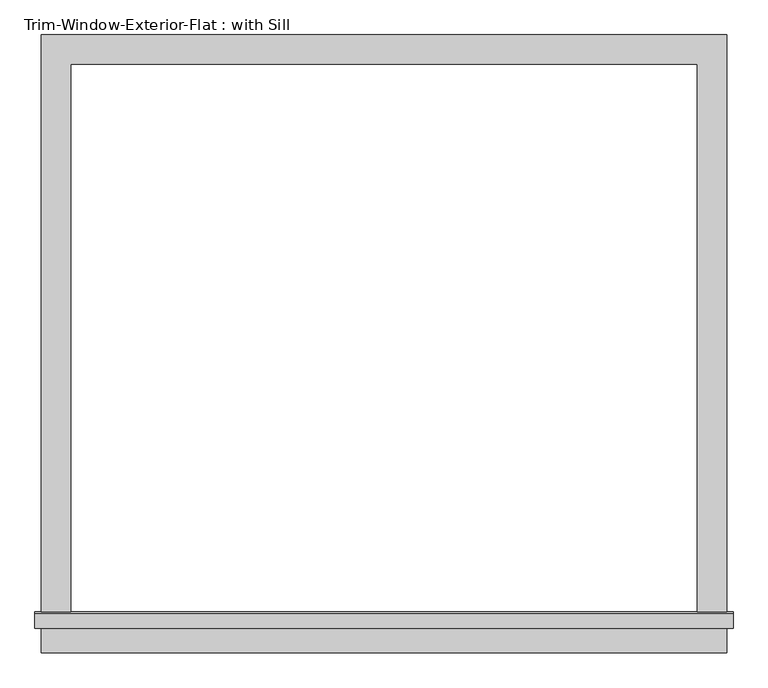
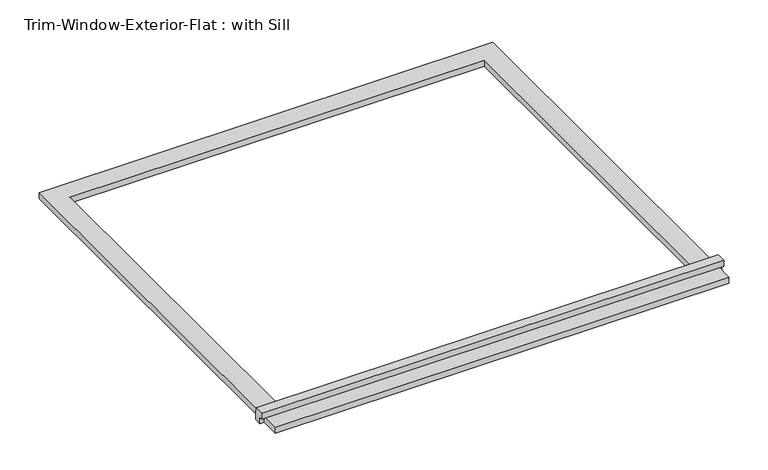
"""IFC4 building model written with IfcOpenShell, lengths in millimetres: proxy geometry, Trim-Window-Exterior-Flat : with Sill."""

from ifc_helpers import new_model, si_unit, frame, origin, origin_with_axes, place, context, project, spatial, polyline, outline, extrude, source, transform, mapped, element, save


def trim_window_exterior_flat_with_sill_f44f30ad(model_context):
    return source(origin(), model_context, "Body", "SweptSolid", [
        extrude(outline(polyline([(666.75, -1088.9823709), (666.75, -1146.1323709), (-666.75, -1146.1323709), (-666.75, -1088.9823709), (666.75, -1088.9823709)])), origin_with_axes(), (0.0, 0.0, 1.0), 19.05),
        extrude(outline(polyline([(-1098.55, 38.1), (-1069.2580645, 38.1), (-1066.8, 19.05), (-1066.8, 0.0), (-1088.9823709, 0.0), (-1088.9823709, 19.05), (-1098.55, 19.05), (-1098.55, 38.1)])), frame((-679.45, 0.0, 0.0), z_axis=(1.0, 0.0, 0.0), x_axis=(0.0, 1.0, 0.0)), (0.0, 0.0, 1.0), 1358.9),
        extrude(outline(polyline([(-666.75, 57.15), (666.75, 57.15), (666.75, -1066.8), (609.6, -1066.8), (609.6, 0.0), (-609.6, 0.0), (-609.6, -1066.8), (-666.75, -1066.8), (-666.75, 57.15)])), origin_with_axes(), (0.0, 0.0, 1.0), 19.05),
    ])


if __name__ == "__main__":
    model = new_model("IFC4")
    model_context = context("Model", 3, world=origin())
    ifc_project = project(units=[si_unit("LENGTHUNIT", "METRE", prefix="MILLI")], contexts=[model_context])
    site = spatial("IfcSite", under=ifc_project)
    building = spatial("IfcBuilding", under=site)
    placement = place(None, origin())
    trim_window_exterior_flat_with_sill_shape = trim_window_exterior_flat_with_sill_f44f30ad(model_context)
    element("IfcBuildingElementProxy", 1, Name="Trim-Window-Exterior-Flat : with Sill", ObjectType="Trim-Window-Exterior-Flat : with Sill", at=placement, inside=building, context=model_context, shape_type="MappedRepresentation", body=[
        mapped(trim_window_exterior_flat_with_sill_shape, transform((0.0, 0.0, 0.0), x_axis=(1.0, 0.0, 0.0), y_axis=(0.0, 1.0, 0.0), z_axis=(0.0, 0.0, 1.0))),
    ])
    save(model, "model.ifc")
